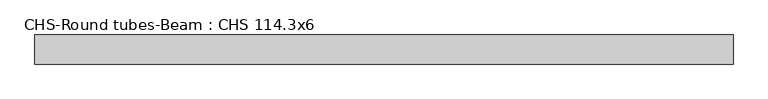
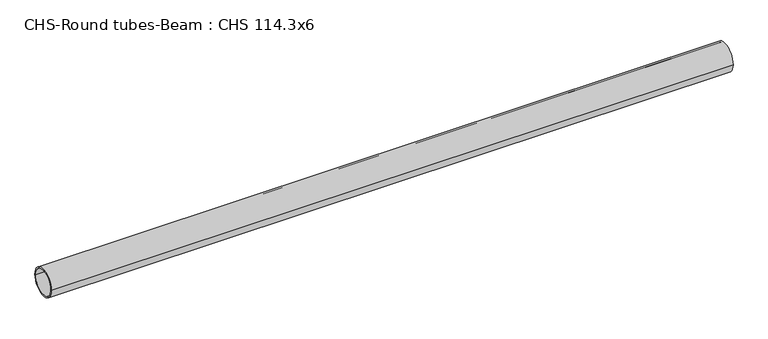
"""IFC4 building model written with IfcOpenShell, lengths in millimetres: beam geometry, CHS-Round tubes-Beam : CHS 114.3x6."""

from ifc_helpers import new_model, si_unit, point, frame, origin, origin_2d, place, context, project, spatial, circle_curve, trimmed, segment, composite_curve, outline, extrude, source, transform, mapped, element, save


def chs_round_tubes_beam_chs_114_3x6_77407704(model_context):
    return source(origin(), model_context, "Body", "SweptSolid", [
        extrude(outline(composite_curve([segment(trimmed(circle_curve(origin_2d(), 57.15), [point((57.15, 0.0))], [point((-57.15, 0.0))], False, "CARTESIAN"), True, "CONTINUOUS"), segment(trimmed(circle_curve(origin_2d(), 57.15), [point((-57.15, 0.0))], [point((57.15, 0.0))], False, "CARTESIAN"), True, "CONTINUOUS")], self_intersect=False), holes=[composite_curve([segment(trimmed(circle_curve(origin_2d(), 51.15), [point((51.15, 0.0))], [point((-51.15, 0.0))], True, "CARTESIAN"), True, "CONTINUOUS"), segment(trimmed(circle_curve(origin_2d(), 51.15), [point((-51.15, 0.0))], [point((51.15, 0.0))], True, "CARTESIAN"), True, "CONTINUOUS")], self_intersect=False)]), frame((-1327.1609028, 0.0, 0.0), z_axis=(1.0, 0.0, 0.0), x_axis=(0.0, 1.0, 0.0)), (0.0, 0.0, 1.0), 2742.8123155),
    ])


if __name__ == "__main__":
    model = new_model("IFC4")
    model_context = context("Model", 3, world=origin())
    ifc_project = project(units=[si_unit("LENGTHUNIT", "METRE", prefix="MILLI")], contexts=[model_context])
    site = spatial("IfcSite", under=ifc_project)
    building = spatial("IfcBuilding", under=site)
    placement = place(None, origin())
    chs_round_tubes_beam_chs_114_3x6_shape = chs_round_tubes_beam_chs_114_3x6_77407704(model_context)
    element("IfcBeam", 1, ObjectType="CHS-Round tubes-Beam : CHS 114.3x6", at=placement, inside=building, context=model_context, shape_type="MappedRepresentation", body=[
        mapped(chs_round_tubes_beam_chs_114_3x6_shape, transform((0.0, 0.0, 0.0), x_axis=(1.0, 0.0, 0.0), y_axis=(0.0, 1.0, 0.0), z_axis=(0.0, 0.0, 1.0))),
    ])
    save(model, "model.ifc")
